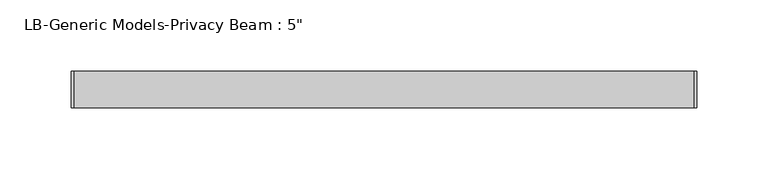
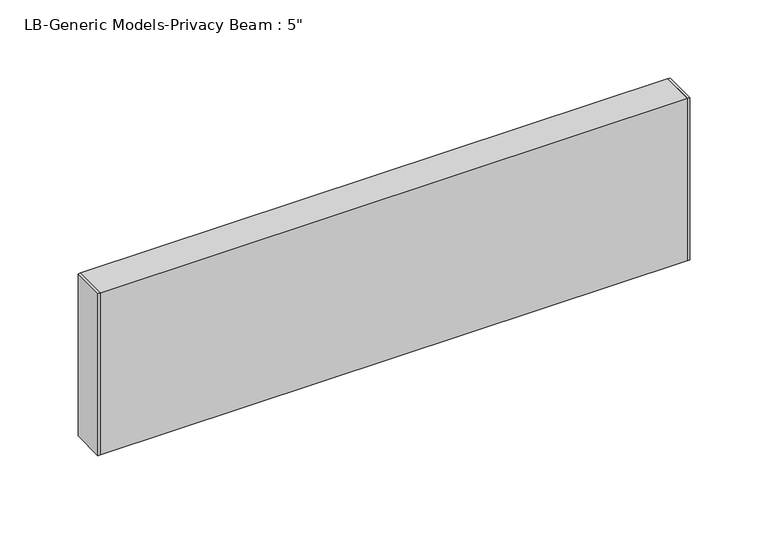
"""IFC4 building model written with IfcOpenShell, lengths in millimetres: proxy geometry."""

import ifcopenshell
import ifcopenshell.guid

model = None  # the IFC model being written
_history = None  # IfcOwnerHistory: only IFC2X3 demands one
_inside = {}  # id of a spatial element -> (the spatial element, [elements in it])
_under = {}  # id of a project, library or spatial element -> (it, [spatial elements below it])
_declared = {}  # id of a project -> (the project, [libraries it declares])
_typed = {}  # id of a type object -> (the type object, [elements of that type])
_made_of = {}  # id of a material, layer set ... -> (it, [elements and type objects made of it])


def new_model(schema):
    """Start an empty IFC model of exactly this schema.

    Asked for "IFC4X3", IfcOpenShell would pick the latest addendum, in which some entities
    have other attributes; the version numbers below select the first issue.
    IFC2X3 requires an IfcOwnerHistory on every rooted entity: one is made here for all.
    """
    global model, _history
    if schema == "IFC4X3":
        model = ifcopenshell.file(schema_version=(4, 3, 0, 0))
    else:
        model = ifcopenshell.file(schema=schema)
    _inside.clear()
    _under.clear()
    _declared.clear()
    _typed.clear()
    _made_of.clear()
    _history = None
    if model.schema == "IFC2X3":
        org = make("IfcOrganization", Name="unknown")
        user = make(
            "IfcPersonAndOrganization",
            ThePerson=make("IfcPerson", FamilyName="unknown"),
            TheOrganization=org,
        )
        app = make(
            "IfcApplication",
            ApplicationDeveloper=org,
            Version="unknown",
            ApplicationFullName="unknown",
            ApplicationIdentifier="unknown",
        )
        _history = make(
            "IfcOwnerHistory",
            OwningUser=user,
            OwningApplication=app,
            ChangeAction="ADDED",
            CreationDate=0,
        )
    return model


def make(cls, **values):
    """One entity of the class cls with the attributes given. An attribute that is None is left unset."""
    return model.create_entity(
        cls, **{name: value for name, value in values.items() if value is not None}
    )


def rooted(cls, **values):
    """An entity with a GlobalId (a new one), such as an element, a storey or a relation."""
    return make(cls, GlobalId=ifcopenshell.guid.new(), OwnerHistory=_history, **values)


def si_unit(unit_type, name, prefix=None):
    """IfcSIUnit, for example si_unit("LENGTHUNIT", "METRE", prefix="MILLI")."""
    return make("IfcSIUnit", UnitType=unit_type, Prefix=prefix, Name=name)


def assignment(units):
    """IfcUnitAssignment: the units of a project."""
    return None if units is None else make("IfcUnitAssignment", Units=units)


def point(xyz):
    """IfcCartesianPoint."""
    return None if xyz is None else make("IfcCartesianPoint", Coordinates=xyz)


def direction(xyz):
    """IfcDirection."""
    return None if xyz is None else make("IfcDirection", DirectionRatios=xyz)


def frame(location, z_axis=None, x_axis=None):
    """IfcAxis2Placement3D, a coordinate frame: its origin and axes. An axis left out is left unset."""
    return make(
        "IfcAxis2Placement3D",
        Location=point(location),
        Axis=direction(z_axis),
        RefDirection=direction(x_axis),
    )


def origin():
    """The frame at (0, 0, 0) with its axes left unset."""
    return frame((0.0, 0.0, 0.0))


def place(relative_to, where):
    """IfcLocalPlacement: puts the frame where relative to a parent placement (None: the world)."""
    return make(
        "IfcLocalPlacement", PlacementRelTo=relative_to, RelativePlacement=where
    )


def context(
    kind, dimensions, precision=None, world=None, true_north=None, identifier=None
):
    """IfcGeometricRepresentationContext, for example the 3D "Model" context."""
    return make(
        "IfcGeometricRepresentationContext",
        ContextIdentifier=identifier,
        ContextType=kind,
        CoordinateSpaceDimension=dimensions,
        Precision=precision,
        WorldCoordinateSystem=world,
        TrueNorth=true_north,
    )


def project(units=None, contexts=None):
    """IfcProject with its units and contexts."""
    return rooted(
        "IfcProject",
        Name="project",
        RepresentationContexts=contexts,
        UnitsInContext=assignment(units),
    )


def spatial(cls, under=None, at=None, **own):
    """A site, building, storey or space (cls), placed at a placement, below another one or the project."""
    s = rooted(cls, ObjectPlacement=at, **own)
    if under is not None:
        _under.setdefault(under.id(), (under, []))[1].append(s)
    return s


def polyline(points):
    """IfcPolyline through the points."""
    return make("IfcPolyline", Points=[point(p) for p in points])


def outline(outer, holes=None, kind="AREA"):
    """IfcArbitraryClosedProfileDef: a profile drawn as a closed curve; with holes, ...WithVoids."""
    if holes is None:
        return make("IfcArbitraryClosedProfileDef", ProfileType=kind, OuterCurve=outer)
    return make(
        "IfcArbitraryProfileDefWithVoids",
        ProfileType=kind,
        OuterCurve=outer,
        InnerCurves=holes,
    )


def extrude(swept, where, along, depth):
    """IfcExtrudedAreaSolid: the profile swept, set in the frame where, extruded along a direction by depth."""
    return make(
        "IfcExtrudedAreaSolid",
        SweptArea=swept,
        Position=where,
        ExtrudedDirection=direction(along),
        Depth=depth,
    )


def shape(context_of_items, identifier, shape_type, items):
    """IfcShapeRepresentation: the items that make up one representation, for example the "Body"."""
    return make(
        "IfcShapeRepresentation",
        ContextOfItems=context_of_items,
        RepresentationIdentifier=identifier,
        RepresentationType=shape_type,
        Items=items,
    )


def source(mapping_origin, context_of_items, identifier, shape_type, items):
    """IfcRepresentationMap: a shape defined once, which mapped items show again and again."""
    return make(
        "IfcRepresentationMap",
        MappingOrigin=mapping_origin,
        MappedRepresentation=shape(context_of_items, identifier, shape_type, items),
    )


def transform(
    local_origin,
    x_axis=None,
    y_axis=None,
    z_axis=None,
    scale=None,
    scale2=None,
    scale3=None,
    uniform=True,
):
    """IfcCartesianTransformationOperator3D, or its non-uniform kind. x_axis, y_axis, z_axis: its Axis1, 2, 3."""
    if uniform:
        return make(
            "IfcCartesianTransformationOperator3D",
            Axis1=direction(x_axis),
            Axis2=direction(y_axis),
            LocalOrigin=point(local_origin),
            Scale=scale,
            Axis3=direction(z_axis),
        )
    return make(
        "IfcCartesianTransformationOperator3DnonUniform",
        Axis1=direction(x_axis),
        Axis2=direction(y_axis),
        LocalOrigin=point(local_origin),
        Scale=scale,
        Axis3=direction(z_axis),
        Scale2=scale2,
        Scale3=scale3,
    )


def mapped(mapping_source, mapping_target):
    """IfcMappedItem: shows the shape of a source again, moved by a transform."""
    return make(
        "IfcMappedItem", MappingSource=mapping_source, MappingTarget=mapping_target
    )


def made_of(thing, what):
    """Note that an element or type object is made of a material, layer set ...; save() writes the relation."""
    if what is not None:
        _made_of.setdefault(what.id(), (what, []))[1].append(thing)
    return thing


def element(
    cls,
    number,
    at=None,
    inside=None,
    cuts=None,
    type_object=None,
    material=None,
    context=None,
    identifier="Body",
    shape_type=None,
    held_by="IfcProductDefinitionShape",
    body=None,
    shapes=None,
    **own,
):
    """One element of the class cls, such as IfcWall. Its Tag is "e" and its number.

    at: its placement. inside: the storey or other place that contains it. cuts: it is an
    opening in that element (IfcRelVoidsElement). A single representation is given by context,
    identifier, shape_type and body (its items); several are given by shapes. held_by: the class
    of the entity that holds the representations. save() writes the other relations.
    """
    e = rooted(cls, Tag="e%d" % number, ObjectPlacement=at, **own)
    if body is not None:
        shapes = [shape(context, identifier, shape_type, body)]
    if shapes is not None:
        e.Representation = make(held_by, Representations=shapes)
    if inside is not None:
        _inside.setdefault(inside.id(), (inside, []))[1].append(e)
    if cuts is not None:
        rooted(
            "IfcRelVoidsElement", RelatingBuildingElement=cuts, RelatedOpeningElement=e
        )
    if type_object is not None:
        _typed.setdefault(type_object.id(), (type_object, []))[1].append(e)
    return made_of(e, material)


def aggregate(whole, parts):
    """IfcRelAggregates: a whole, such as a stair, and the parts it consists of."""
    return rooted("IfcRelAggregates", RelatingObject=whole, RelatedObjects=parts)


def save(model, path):
    """Write the relations noted so far, then the file.

    IfcRelAggregates (storeys below a building ...), IfcRelContainedInSpatialStructure (elements
    in a storey), IfcRelDefinesByType, IfcRelAssociatesMaterial and IfcRelDeclares: one each for
    every whole, place, type object, material and project.
    """
    for whole, parts in _under.values():
        aggregate(whole, parts)
    for where, things in _inside.values():
        rooted(
            "IfcRelContainedInSpatialStructure",
            RelatedElements=things,
            RelatingStructure=where,
        )
    for kind, things in _typed.values():
        rooted("IfcRelDefinesByType", RelatedObjects=things, RelatingType=kind)
    for what, things in _made_of.values():
        rooted("IfcRelAssociatesMaterial", RelatedObjects=things, RelatingMaterial=what)
    for by, libraries in _declared.values():
        rooted("IfcRelDeclares", RelatingContext=by, RelatedDefinitions=libraries)
    model.write(path)


def proxy_d341963f(model_context):
    return source(origin(), model_context, "Body", "SweptSolid", [
        extrude(outline(polyline([(0.0, 12.7), (1.651, 12.7), (1.651, -12.7), (0.0, -12.7), (0.0, 12.7)])), frame((0.0, 0.0, -63.5), z_axis=(0.0, 0.0, 1.0), x_axis=(1.0, 0.0, 0.0)), (0.0, 0.0, 1.0), 127.0),
        extrude(outline(polyline([(438.15, 12.7), (438.15, -12.7), (436.499, -12.7), (436.499, 12.7), (438.15, 12.7)])), frame((0.0, 0.0, -63.5), z_axis=(0.0, 0.0, 1.0), x_axis=(1.0, 0.0, 0.0)), (0.0, 0.0, 1.0), 127.0),
        extrude(outline(polyline([(-12.7, 63.5), (12.7, 63.5), (12.7, -63.5), (-12.7, -63.5), (-12.7, 63.5)]), holes=[polyline([(-11.176, 61.976), (-11.176, -61.976), (11.176, -61.976), (11.176, 61.976), (-11.176, 61.976)])]), frame((1.651, 0.0, 0.0), z_axis=(1.0, 0.0, 0.0), x_axis=(0.0, 1.0, 0.0)), (0.0, 0.0, 1.0), 434.848),
    ])


if __name__ == "__main__":
    model = new_model("IFC4")
    model_context = context("Model", 3, world=origin())
    ifc_project = project(units=[si_unit("LENGTHUNIT", "METRE", prefix="MILLI")], contexts=[model_context])
    site = spatial("IfcSite", under=ifc_project)
    building = spatial("IfcBuilding", under=site)
    placement = place(None, origin())
    proxy_shape = proxy_d341963f(model_context)
    element("IfcBuildingElementProxy", 1, Name="LB-Generic Models-Privacy Beam : 5\"", ObjectType="LB-Generic Models-Privacy Beam : 5\"", at=placement, inside=building, context=model_context, shape_type="MappedRepresentation", body=[
        mapped(proxy_shape, transform((0.0, 0.0, 0.0), x_axis=(1.0, 0.0, 0.0), y_axis=(0.0, 1.0, 0.0), z_axis=(0.0, 0.0, 1.0))),
    ])
    save(model, "model.ifc")
